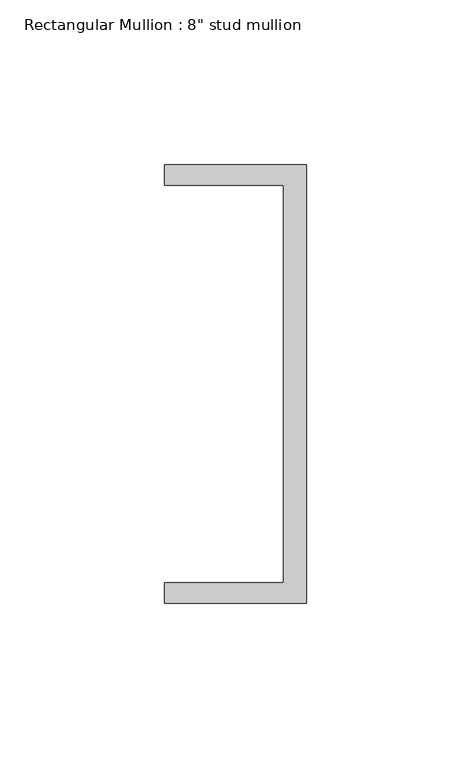
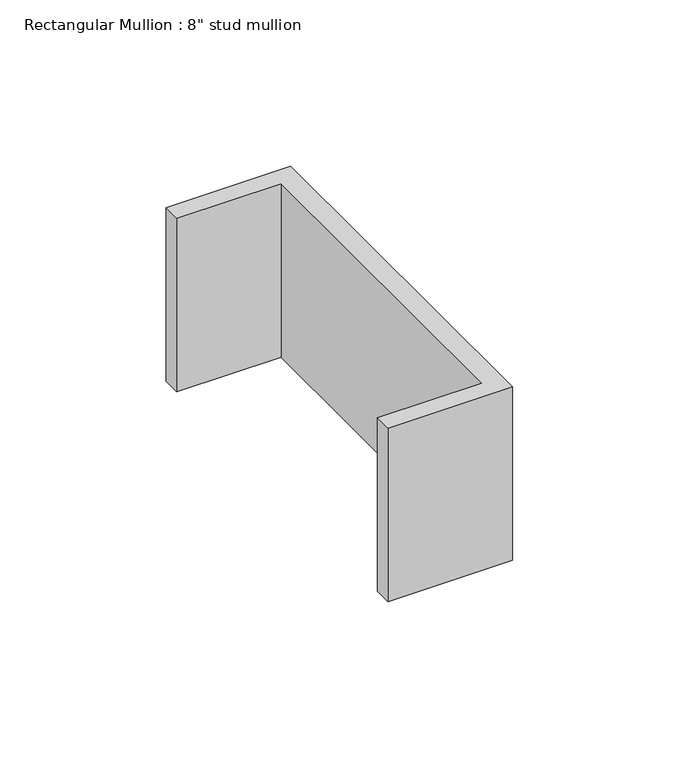
"""IFC4 building model written with IfcOpenShell, lengths in millimetres: member geometry."""

from ifc_helpers import new_model, si_unit, frame, origin, place, context, project, spatial, polyline, outline, extrude, source, transform, mapped, element, save


def member_caab2a1c(model_context):
    return source(origin(), model_context, "Body", "SweptSolid", [
        extrude(outline(polyline([(0.0, 135.2608739), (0.0, 1.9108739), (-43.2224547, 1.9108739), (-43.2224547, 8.2608739), (-7.0438577, 8.2608739), (-7.0438577, 128.9108739), (-43.2224547, 128.9108739), (-43.2224547, 135.2608739), (0.0, 135.2608739)])), frame((0.0, 0.0, -63.6221041), z_axis=(0.0, 0.0, 1.0), x_axis=(1.0, 0.0, 0.0)), (0.0, 0.0, 1.0), 63.6221041),
    ])


if __name__ == "__main__":
    model = new_model("IFC4")
    model_context = context("Model", 3, world=origin())
    ifc_project = project(units=[si_unit("LENGTHUNIT", "METRE", prefix="MILLI")], contexts=[model_context])
    site = spatial("IfcSite", under=ifc_project)
    building = spatial("IfcBuilding", under=site)
    placement = place(None, origin())
    member_shape = member_caab2a1c(model_context)
    element("IfcMember", 1, ObjectType="Rectangular Mullion : 8\" stud mullion", at=placement, inside=building, context=model_context, shape_type="MappedRepresentation", body=[
        mapped(member_shape, transform((0.0, 0.0, 0.0), x_axis=(1.0, 0.0, 0.0), y_axis=(0.0, 1.0, 0.0), z_axis=(0.0, 0.0, 1.0))),
    ])
    save(model, "model.ifc")
